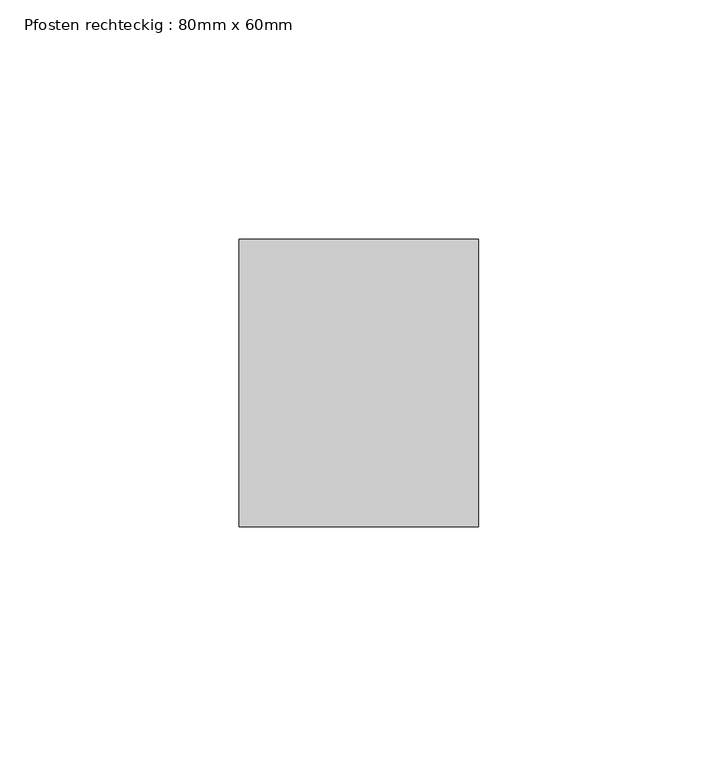
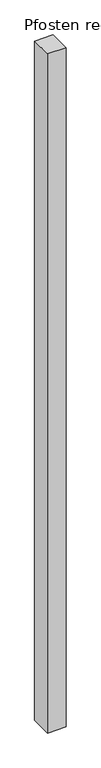
"""IFC4 building model written with IfcOpenShell, lengths in millimetres: member geometry, Pfosten rechteckig : 80mm x 60mm."""

import ifcopenshell
import ifcopenshell.guid

model = None  # the IFC model being written
_history = None  # IfcOwnerHistory: only IFC2X3 demands one
_inside = {}  # id of a spatial element -> (the spatial element, [elements in it])
_under = {}  # id of a project, library or spatial element -> (it, [spatial elements below it])
_declared = {}  # id of a project -> (the project, [libraries it declares])
_typed = {}  # id of a type object -> (the type object, [elements of that type])
_made_of = {}  # id of a material, layer set ... -> (it, [elements and type objects made of it])


def new_model(schema):
    """Start an empty IFC model of exactly this schema.

    Asked for "IFC4X3", IfcOpenShell would pick the latest addendum, in which some entities
    have other attributes; the version numbers below select the first issue.
    IFC2X3 requires an IfcOwnerHistory on every rooted entity: one is made here for all.
    """
    global model, _history
    if schema == "IFC4X3":
        model = ifcopenshell.file(schema_version=(4, 3, 0, 0))
    else:
        model = ifcopenshell.file(schema=schema)
    _inside.clear()
    _under.clear()
    _declared.clear()
    _typed.clear()
    _made_of.clear()
    _history = None
    if model.schema == "IFC2X3":
        org = make("IfcOrganization", Name="unknown")
        user = make(
            "IfcPersonAndOrganization",
            ThePerson=make("IfcPerson", FamilyName="unknown"),
            TheOrganization=org,
        )
        app = make(
            "IfcApplication",
            ApplicationDeveloper=org,
            Version="unknown",
            ApplicationFullName="unknown",
            ApplicationIdentifier="unknown",
        )
        _history = make(
            "IfcOwnerHistory",
            OwningUser=user,
            OwningApplication=app,
            ChangeAction="ADDED",
            CreationDate=0,
        )
    return model


def make(cls, **values):
    """One entity of the class cls with the attributes given. An attribute that is None is left unset."""
    return model.create_entity(
        cls, **{name: value for name, value in values.items() if value is not None}
    )


def rooted(cls, **values):
    """An entity with a GlobalId (a new one), such as an element, a storey or a relation."""
    return make(cls, GlobalId=ifcopenshell.guid.new(), OwnerHistory=_history, **values)


def si_unit(unit_type, name, prefix=None):
    """IfcSIUnit, for example si_unit("LENGTHUNIT", "METRE", prefix="MILLI")."""
    return make("IfcSIUnit", UnitType=unit_type, Prefix=prefix, Name=name)


def assignment(units):
    """IfcUnitAssignment: the units of a project."""
    return None if units is None else make("IfcUnitAssignment", Units=units)


def point(xyz):
    """IfcCartesianPoint."""
    return None if xyz is None else make("IfcCartesianPoint", Coordinates=xyz)


def direction(xyz):
    """IfcDirection."""
    return None if xyz is None else make("IfcDirection", DirectionRatios=xyz)


def frame(location, z_axis=None, x_axis=None):
    """IfcAxis2Placement3D, a coordinate frame: its origin and axes. An axis left out is left unset."""
    return make(
        "IfcAxis2Placement3D",
        Location=point(location),
        Axis=direction(z_axis),
        RefDirection=direction(x_axis),
    )


def origin():
    """The frame at (0, 0, 0) with its axes left unset."""
    return frame((0.0, 0.0, 0.0))


def place(relative_to, where):
    """IfcLocalPlacement: puts the frame where relative to a parent placement (None: the world)."""
    return make(
        "IfcLocalPlacement", PlacementRelTo=relative_to, RelativePlacement=where
    )


def context(
    kind, dimensions, precision=None, world=None, true_north=None, identifier=None
):
    """IfcGeometricRepresentationContext, for example the 3D "Model" context."""
    return make(
        "IfcGeometricRepresentationContext",
        ContextIdentifier=identifier,
        ContextType=kind,
        CoordinateSpaceDimension=dimensions,
        Precision=precision,
        WorldCoordinateSystem=world,
        TrueNorth=true_north,
    )


def project(units=None, contexts=None):
    """IfcProject with its units and contexts."""
    return rooted(
        "IfcProject",
        Name="project",
        RepresentationContexts=contexts,
        UnitsInContext=assignment(units),
    )


def spatial(cls, under=None, at=None, **own):
    """A site, building, storey or space (cls), placed at a placement, below another one or the project."""
    s = rooted(cls, ObjectPlacement=at, **own)
    if under is not None:
        _under.setdefault(under.id(), (under, []))[1].append(s)
    return s


def polyline(points):
    """IfcPolyline through the points."""
    return make("IfcPolyline", Points=[point(p) for p in points])


def outline(outer, holes=None, kind="AREA"):
    """IfcArbitraryClosedProfileDef: a profile drawn as a closed curve; with holes, ...WithVoids."""
    if holes is None:
        return make("IfcArbitraryClosedProfileDef", ProfileType=kind, OuterCurve=outer)
    return make(
        "IfcArbitraryProfileDefWithVoids",
        ProfileType=kind,
        OuterCurve=outer,
        InnerCurves=holes,
    )


def extrude(swept, where, along, depth):
    """IfcExtrudedAreaSolid: the profile swept, set in the frame where, extruded along a direction by depth."""
    return make(
        "IfcExtrudedAreaSolid",
        SweptArea=swept,
        Position=where,
        ExtrudedDirection=direction(along),
        Depth=depth,
    )


def shape(context_of_items, identifier, shape_type, items):
    """IfcShapeRepresentation: the items that make up one representation, for example the "Body"."""
    return make(
        "IfcShapeRepresentation",
        ContextOfItems=context_of_items,
        RepresentationIdentifier=identifier,
        RepresentationType=shape_type,
        Items=items,
    )


def source(mapping_origin, context_of_items, identifier, shape_type, items):
    """IfcRepresentationMap: a shape defined once, which mapped items show again and again."""
    return make(
        "IfcRepresentationMap",
        MappingOrigin=mapping_origin,
        MappedRepresentation=shape(context_of_items, identifier, shape_type, items),
    )


def transform(
    local_origin,
    x_axis=None,
    y_axis=None,
    z_axis=None,
    scale=None,
    scale2=None,
    scale3=None,
    uniform=True,
):
    """IfcCartesianTransformationOperator3D, or its non-uniform kind. x_axis, y_axis, z_axis: its Axis1, 2, 3."""
    if uniform:
        return make(
            "IfcCartesianTransformationOperator3D",
            Axis1=direction(x_axis),
            Axis2=direction(y_axis),
            LocalOrigin=point(local_origin),
            Scale=scale,
            Axis3=direction(z_axis),
        )
    return make(
        "IfcCartesianTransformationOperator3DnonUniform",
        Axis1=direction(x_axis),
        Axis2=direction(y_axis),
        LocalOrigin=point(local_origin),
        Scale=scale,
        Axis3=direction(z_axis),
        Scale2=scale2,
        Scale3=scale3,
    )


def mapped(mapping_source, mapping_target):
    """IfcMappedItem: shows the shape of a source again, moved by a transform."""
    return make(
        "IfcMappedItem", MappingSource=mapping_source, MappingTarget=mapping_target
    )


def made_of(thing, what):
    """Note that an element or type object is made of a material, layer set ...; save() writes the relation."""
    if what is not None:
        _made_of.setdefault(what.id(), (what, []))[1].append(thing)
    return thing


def element(
    cls,
    number,
    at=None,
    inside=None,
    cuts=None,
    type_object=None,
    material=None,
    context=None,
    identifier="Body",
    shape_type=None,
    held_by="IfcProductDefinitionShape",
    body=None,
    shapes=None,
    **own,
):
    """One element of the class cls, such as IfcWall. Its Tag is "e" and its number.

    at: its placement. inside: the storey or other place that contains it. cuts: it is an
    opening in that element (IfcRelVoidsElement). A single representation is given by context,
    identifier, shape_type and body (its items); several are given by shapes. held_by: the class
    of the entity that holds the representations. save() writes the other relations.
    """
    e = rooted(cls, Tag="e%d" % number, ObjectPlacement=at, **own)
    if body is not None:
        shapes = [shape(context, identifier, shape_type, body)]
    if shapes is not None:
        e.Representation = make(held_by, Representations=shapes)
    if inside is not None:
        _inside.setdefault(inside.id(), (inside, []))[1].append(e)
    if cuts is not None:
        rooted(
            "IfcRelVoidsElement", RelatingBuildingElement=cuts, RelatedOpeningElement=e
        )
    if type_object is not None:
        _typed.setdefault(type_object.id(), (type_object, []))[1].append(e)
    return made_of(e, material)


def aggregate(whole, parts):
    """IfcRelAggregates: a whole, such as a stair, and the parts it consists of."""
    return rooted("IfcRelAggregates", RelatingObject=whole, RelatedObjects=parts)


def save(model, path):
    """Write the relations noted so far, then the file.

    IfcRelAggregates (storeys below a building ...), IfcRelContainedInSpatialStructure (elements
    in a storey), IfcRelDefinesByType, IfcRelAssociatesMaterial and IfcRelDeclares: one each for
    every whole, place, type object, material and project.
    """
    for whole, parts in _under.values():
        aggregate(whole, parts)
    for where, things in _inside.values():
        rooted(
            "IfcRelContainedInSpatialStructure",
            RelatedElements=things,
            RelatingStructure=where,
        )
    for kind, things in _typed.values():
        rooted("IfcRelDefinesByType", RelatedObjects=things, RelatingType=kind)
    for what, things in _made_of.values():
        rooted("IfcRelAssociatesMaterial", RelatedObjects=things, RelatingMaterial=what)
    for by, libraries in _declared.values():
        rooted("IfcRelDeclares", RelatingContext=by, RelatedDefinitions=libraries)
    model.write(path)


def pfosten_rechteckig_80mm_x_60mm_d21d7804(model_context):
    return source(origin(), model_context, "Body", "SweptSolid", [
        extrude(outline(polyline([(0.0, 30.0), (0.0, -30.0), (-50.0, -30.0), (-50.0, 30.0), (0.0, 30.0)])), frame((0.0, 0.0, -1933.3333333), z_axis=(0.0, 0.0, 1.0), x_axis=(1.0, 0.0, 0.0)), (0.0, 0.0, 1.0), 1933.3333333),
    ])


if __name__ == "__main__":
    model = new_model("IFC4")
    model_context = context("Model", 3, world=origin())
    ifc_project = project(units=[si_unit("LENGTHUNIT", "METRE", prefix="MILLI")], contexts=[model_context])
    site = spatial("IfcSite", under=ifc_project)
    building = spatial("IfcBuilding", under=site)
    placement = place(None, origin())
    pfosten_rechteckig_80mm_x_60mm_shape = pfosten_rechteckig_80mm_x_60mm_d21d7804(model_context)
    element("IfcMember", 1, ObjectType="Pfosten rechteckig : 80mm x 60mm", at=placement, inside=building, context=model_context, shape_type="MappedRepresentation", body=[
        mapped(pfosten_rechteckig_80mm_x_60mm_shape, transform((0.0, 0.0, 0.0), x_axis=(1.0, 0.0, 0.0), y_axis=(0.0, 1.0, 0.0), z_axis=(0.0, 0.0, 1.0))),
    ])
    save(model, "model.ifc")
